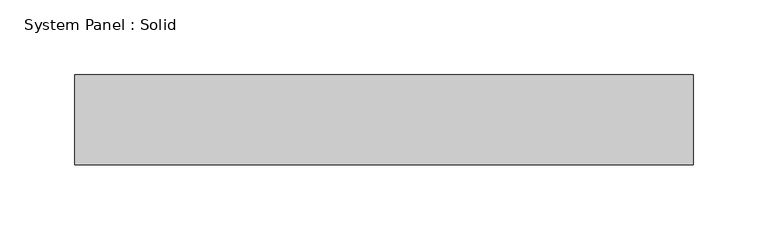
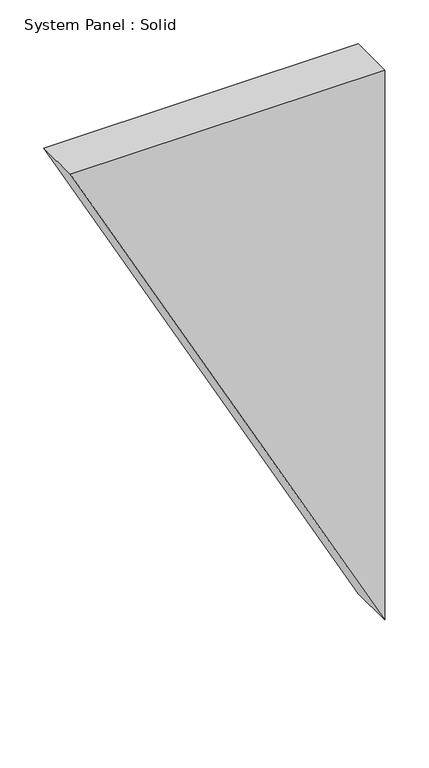
"""IFC4 building model written with IfcOpenShell, lengths in millimetres: plate geometry, System Panel : Solid."""

from ifc_helpers import new_model, si_unit, frame, origin, place, context, project, spatial, polyline, outline, extrude, source, transform, mapped, element, save


def system_panel_solid_39a4f4d2(model_context):
    return source(origin(), model_context, "Body", "SweptSolid", [
        extrude(outline(polyline([(763.3959549, -206.3515368), (0.0, 206.3515368), (763.3959549, 206.3515368), (763.3959549, -206.3515368)])), frame((0.0, -10.5, 0.0), z_axis=(0.0, 1.0, 0.0), x_axis=(0.0, 0.0, 1.0)), (0.0, 0.0, 1.0), 60.0),
    ])


if __name__ == "__main__":
    model = new_model("IFC4")
    model_context = context("Model", 3, world=origin())
    ifc_project = project(units=[si_unit("LENGTHUNIT", "METRE", prefix="MILLI")], contexts=[model_context])
    site = spatial("IfcSite", under=ifc_project)
    building = spatial("IfcBuilding", under=site)
    placement = place(None, origin())
    system_panel_solid_shape = system_panel_solid_39a4f4d2(model_context)
    element("IfcPlate", 1, ObjectType="System Panel : Solid", at=placement, inside=building, context=model_context, shape_type="MappedRepresentation", body=[
        mapped(system_panel_solid_shape, transform((0.0, 0.0, 0.0), x_axis=(1.0, 0.0, 0.0), y_axis=(0.0, 1.0, 0.0), z_axis=(0.0, 0.0, 1.0))),
    ])
    save(model, "model.ifc")
